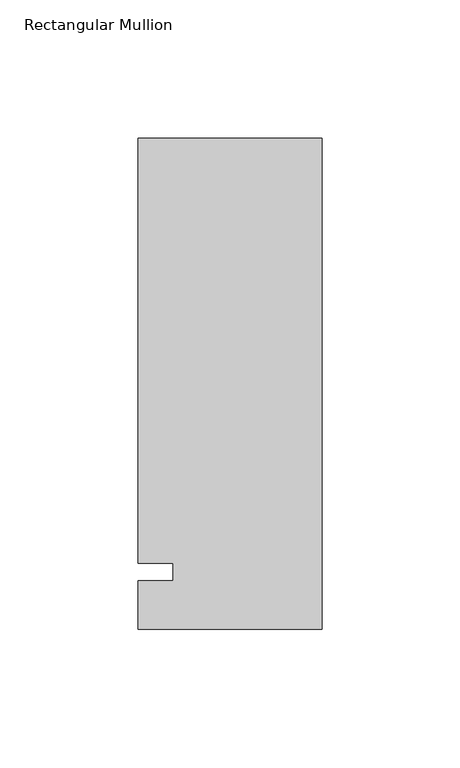
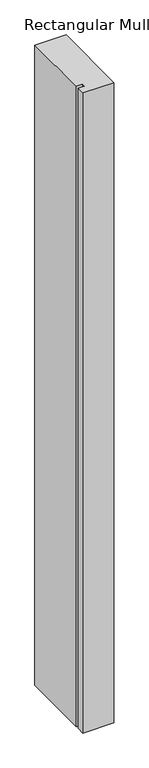
"""IFC4 building model written with IfcOpenShell, lengths in millimetres: member geometry, Rectangular Mullion."""

from ifc_helpers import new_model, si_unit, frame, origin, place, context, project, spatial, polyline, outline, extrude, source, transform, mapped, element, save


def rectangular_mullion_11a72867(model_context):
    return source(origin(), model_context, "Body", "SweptSolid", [
        extrude(outline(polyline([(-66.675, 157.1625), (0.0, 157.1625), (0.0, -20.6375), (-66.675, -20.6375), (-66.675, -3.175), (-53.9732296, -3.175), (-53.9732296, 3.175), (-66.675, 3.175), (-66.675, 157.1625)])), frame((0.0, 0.0, -1449.9166667), z_axis=(0.0, 0.0, 1.0), x_axis=(1.0, 0.0, 0.0)), (0.0, 0.0, 1.0), 1449.9166667),
    ])


if __name__ == "__main__":
    model = new_model("IFC4")
    model_context = context("Model", 3, world=origin())
    ifc_project = project(units=[si_unit("LENGTHUNIT", "METRE", prefix="MILLI")], contexts=[model_context])
    site = spatial("IfcSite", under=ifc_project)
    building = spatial("IfcBuilding", under=site)
    placement = place(None, origin())
    rectangular_mullion_shape = rectangular_mullion_11a72867(model_context)
    element("IfcMember", 1, ObjectType="Rectangular Mullion", at=placement, inside=building, context=model_context, shape_type="MappedRepresentation", body=[
        mapped(rectangular_mullion_shape, transform((0.0, 0.0, 0.0), x_axis=(1.0, 0.0, 0.0), y_axis=(0.0, 1.0, 0.0), z_axis=(0.0, 0.0, 1.0))),
    ])
    save(model, "model.ifc")
